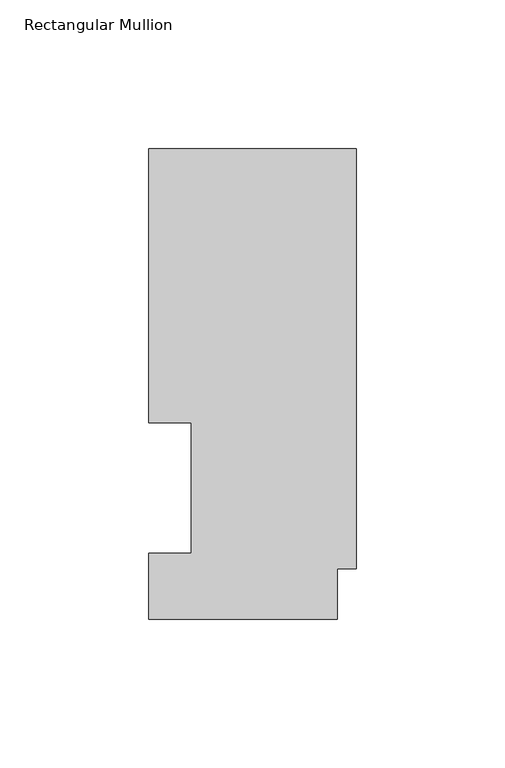
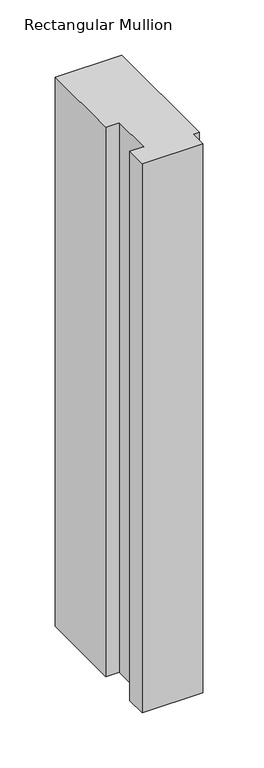
"""IFC4 building model written with IfcOpenShell, lengths in millimetres: member geometry, Rectangular Mullion."""

from ifc_helpers import new_model, si_unit, frame, origin, place, context, project, spatial, polyline, outline, extrude, source, transform, mapped, element, save


def rectangular_mullion_5f8e39f8(model_context):
    return source(origin(), model_context, "Body", "SweptSolid", [
        extrude(outline(polyline([(0.0, 158.2308875), (0.0, 16.9306875), (-6.35, 16.9306875), (-6.35, -0.0080424), (-69.85, -0.0080424), (-69.85, 22.1122875), (-55.5625, 22.1122875), (-55.5625, 66.0796875), (-69.85, 66.0796875), (-69.85, 158.2308875), (0.0, 158.2308875)])), frame((0.0, 0.0, -609.6), z_axis=(0.0, 0.0, 1.0), x_axis=(1.0, 0.0, 0.0)), (0.0, 0.0, 1.0), 609.6),
    ])


if __name__ == "__main__":
    model = new_model("IFC4")
    model_context = context("Model", 3, world=origin())
    ifc_project = project(units=[si_unit("LENGTHUNIT", "METRE", prefix="MILLI")], contexts=[model_context])
    site = spatial("IfcSite", under=ifc_project)
    building = spatial("IfcBuilding", under=site)
    placement = place(None, origin())
    rectangular_mullion_shape = rectangular_mullion_5f8e39f8(model_context)
    element("IfcMember", 1, ObjectType="Rectangular Mullion", at=placement, inside=building, context=model_context, shape_type="MappedRepresentation", body=[
        mapped(rectangular_mullion_shape, transform((0.0, 0.0, 0.0), x_axis=(1.0, 0.0, 0.0), y_axis=(0.0, 1.0, 0.0), z_axis=(0.0, 0.0, 1.0))),
    ])
    save(model, "model.ifc")
